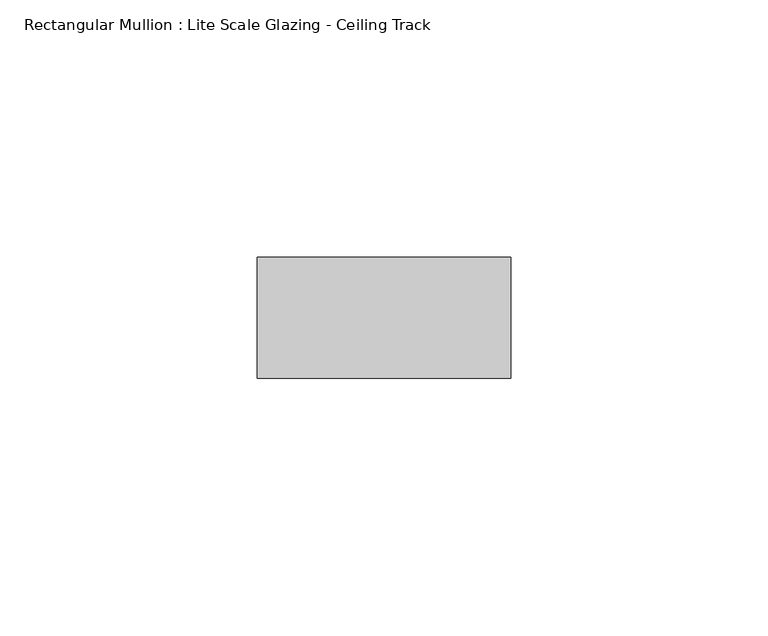
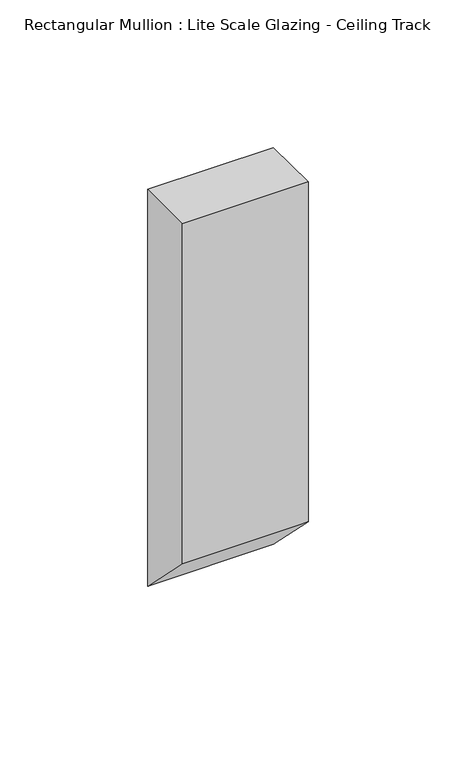
"""IFC4 building model written with IfcOpenShell, lengths in millimetres: member geometry, Rectangular Mullion : Lite Scale Glazing - Ceiling Track."""

from ifc_helpers import new_model, si_unit, frame, origin, place, context, project, spatial, polyline, outline, extrude, source, transform, mapped, element, save


def rectangular_mullion_lite_scale_glazing_ceiling_track_086db3fe(model_context):
    return source(origin(), model_context, "Body", "SweptSolid", [
        extrude(outline(polyline([(-11.7474999, 0.0), (11.7474999, 0.0), (11.7474999, -164.1474999), (-11.7474999, -140.6525001), (-11.7474999, 0.0)])), frame((-49.276, 0.0, 0.0), z_axis=(1.0, 0.0, 0.0), x_axis=(0.0, 1.0, 0.0)), (0.0, 0.0, 1.0), 49.276),
    ])


if __name__ == "__main__":
    model = new_model("IFC4")
    model_context = context("Model", 3, world=origin())
    ifc_project = project(units=[si_unit("LENGTHUNIT", "METRE", prefix="MILLI")], contexts=[model_context])
    site = spatial("IfcSite", under=ifc_project)
    building = spatial("IfcBuilding", under=site)
    placement = place(None, origin())
    rectangular_mullion_lite_scale_glazing_ceiling_track_shape = rectangular_mullion_lite_scale_glazing_ceiling_track_086db3fe(model_context)
    element("IfcMember", 1, ObjectType="Rectangular Mullion : Lite Scale Glazing - Ceiling Track", at=placement, inside=building, context=model_context, shape_type="MappedRepresentation", body=[
        mapped(rectangular_mullion_lite_scale_glazing_ceiling_track_shape, transform((0.0, 0.0, 0.0), x_axis=(1.0, 0.0, 0.0), y_axis=(0.0, 1.0, 0.0), z_axis=(0.0, 0.0, 1.0))),
    ])
    save(model, "model.ifc")
